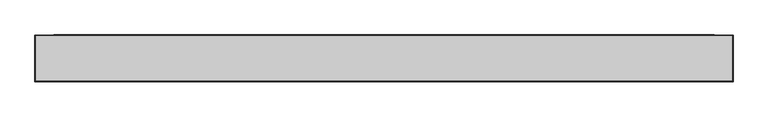
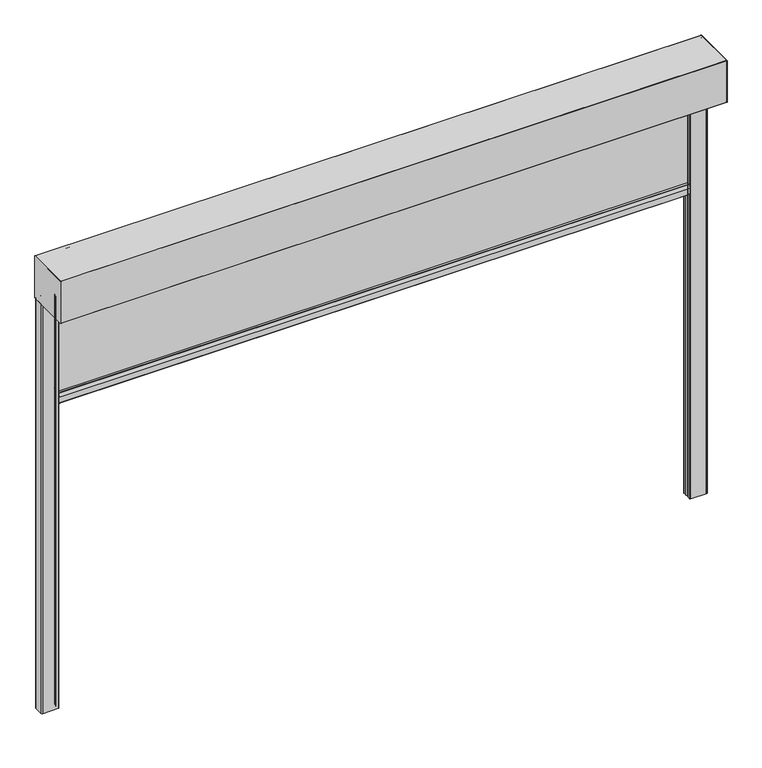
"""IFC4 building model written with IfcOpenShell, lengths in millimetres: alarm geometry."""

from ifc_helpers import new_model, si_unit, point, frame, frame_2d, origin, place, context, project, spatial, polyline, circle_curve, trimmed, segment, composite_curve, outline, extrude, source, transform, mapped, element, save
from ifc_brep_helpers import plane_surface, cylinder_surface, revolved_surface, advanced_brep


def alarm_83f84494(model_context):
    return source(origin(), model_context, "Body", "SolidModel", [
        extrude(outline(composite_curve([segment(polyline([(32.3130377, -455.0), (67.6869623, -455.0)]), True, "CONTINUOUS"), segment(trimmed(circle_curve(frame_2d((67.6869623, -457.0)), 2.0), [point((67.6869623, -455.0))], [point((69.5220736, -456.2047851))], False, "CARTESIAN"), True, "CONTINUOUS"), segment(polyline([(69.5220736, -456.2047851), (75.5, -470.0), (75.5, -498.0)]), True, "CONTINUOUS"), segment(trimmed(circle_curve(frame_2d((73.5, -498.0)), 2.0), [point((75.5, -498.0))], [point((73.5, -500.0))], False, "CARTESIAN"), True, "CONTINUOUS"), segment(polyline([(73.5, -500.0), (26.5, -500.0)]), True, "CONTINUOUS"), segment(trimmed(circle_curve(frame_2d((26.5, -498.0)), 2.0), [point((26.5, -500.0))], [point((24.5, -498.0))], False, "CARTESIAN"), True, "CONTINUOUS"), segment(polyline([(24.5, -498.0), (24.5, -470.0), (30.4779264, -456.2047851)]), True, "CONTINUOUS"), segment(trimmed(circle_curve(frame_2d((32.3130377, -457.0)), 2.0), [point((30.4779264, -456.2047851))], [point((32.3130377, -455.0))], False, "CARTESIAN"), True, "CONTINUOUS")], self_intersect=False)), frame((-1420.0, 0.0, 0.0), z_axis=(1.0, 0.0, 0.0), x_axis=(0.0, 1.0, 0.0)), (0.0, 0.0, 1.0), 2840.0),
        extrude(outline(polyline([(1420.0, 42.5), (-1420.0, 42.5), (-1420.0, 57.5), (1420.0, 57.5), (1420.0, 42.5)])), frame((0.0, 0.0, -455.0), z_axis=(0.0, 0.0, 1.0), x_axis=(1.0, 0.0, 0.0)), (0.0, 0.0, 1.0), 465.0),
        extrude(outline(composite_curve([segment(polyline([(-125.0, 1.0), (-125.0, 199.0)]), True, "CONTINUOUS"), segment(trimmed(circle_curve(frame_2d((-124.0, 199.0)), 1.0), [point((-125.0, 199.0))], [point((-124.0, 200.0))], False, "CARTESIAN"), True, "CONTINUOUS"), segment(polyline([(-124.0, 200.0), (74.0, 200.0)]), True, "CONTINUOUS"), segment(trimmed(circle_curve(frame_2d((74.0, 199.0)), 1.0), [point((74.0, 200.0))], [point((75.0, 199.0))], False, "CARTESIAN"), True, "CONTINUOUS"), segment(polyline([(75.0, 199.0), (75.0, 1.5)]), True, "CONTINUOUS"), segment(trimmed(circle_curve(frame_2d((73.5, 1.5)), 1.5), [point((75.0, 1.5))], [point((73.5, 0.0))], False, "CARTESIAN"), True, "CONTINUOUS"), segment(polyline([(73.5, 0.0), (-124.0, 0.0)]), True, "CONTINUOUS"), segment(trimmed(circle_curve(frame_2d((-124.0, 1.0)), 1.0), [point((-124.0, 0.0))], [point((-125.0, 1.0))], False, "CARTESIAN"), True, "CONTINUOUS")], self_intersect=False)), frame((1500.0, 0.0, 0.0), z_axis=(1.0, 0.0, 0.0), x_axis=(0.0, 1.0, 0.0)), (0.0, 0.0, 1.0), 1.0),
        extrude(outline(composite_curve([segment(polyline([(-125.0, 1.0), (-125.0, 199.0)]), True, "CONTINUOUS"), segment(trimmed(circle_curve(frame_2d((-124.0, 199.0)), 1.0), [point((-125.0, 199.0))], [point((-124.0, 200.0))], False, "CARTESIAN"), True, "CONTINUOUS"), segment(polyline([(-124.0, 200.0), (74.0, 200.0)]), True, "CONTINUOUS"), segment(trimmed(circle_curve(frame_2d((74.0, 199.0)), 1.0), [point((74.0, 200.0))], [point((75.0, 199.0))], False, "CARTESIAN"), True, "CONTINUOUS"), segment(polyline([(75.0, 199.0), (75.0, 1.5)]), True, "CONTINUOUS"), segment(trimmed(circle_curve(frame_2d((73.5, 1.5)), 1.5), [point((75.0, 1.5))], [point((73.5, 0.0))], False, "CARTESIAN"), True, "CONTINUOUS"), segment(polyline([(73.5, 0.0), (-124.0, 0.0)]), True, "CONTINUOUS"), segment(trimmed(circle_curve(frame_2d((-124.0, 1.0)), 1.0), [point((-124.0, 0.0))], [point((-125.0, 1.0))], False, "CARTESIAN"), True, "CONTINUOUS")], self_intersect=False)), frame((-1501.0, 0.0, 0.0), z_axis=(1.0, 0.0, 0.0), x_axis=(0.0, 1.0, 0.0)), (0.0, 0.0, 1.0), 1.0),
        extrude(outline(composite_curve([segment(polyline([(1420.0, 30.0), (1420.0, 41.5)]), True, "CONTINUOUS"), segment(trimmed(circle_curve(frame_2d((1424.0, 41.5)), 4.0), [point((1420.0, 41.5))], [point((1427.7587705, 42.8680806))], False, "CARTESIAN"), True, "CONTINUOUS"), segment(polyline([(1427.7587705, 42.8680806), (1429.313694, 34.049671), (1427.3440785, 33.7023747), (1425.8248093, 42.3185788)]), True, "CONTINUOUS"), segment(trimmed(circle_curve(frame_2d((1424.0, 41.5)), 2.0), [point((1425.8248093, 42.3185788))], [point((1422.0, 41.5))], True, "CARTESIAN"), True, "CONTINUOUS"), segment(polyline([(1422.0, 41.5), (1422.0, 30.0)]), True, "CONTINUOUS"), segment(trimmed(circle_curve(frame_2d((1425.0, 30.0)), 3.0), [point((1422.0, 30.0))], [point((1425.0, 27.0))], True, "CARTESIAN"), True, "CONTINUOUS"), segment(polyline([(1425.0, 27.0), (1495.0, 27.0)]), True, "CONTINUOUS"), segment(trimmed(circle_curve(frame_2d((1495.0, 30.0)), 3.0), [point((1495.0, 27.0))], [point((1498.0, 30.0))], True, "CARTESIAN"), True, "CONTINUOUS"), segment(polyline([(1498.0, 30.0), (1498.0, 70.0)]), True, "CONTINUOUS"), segment(trimmed(circle_curve(frame_2d((1495.0, 70.0)), 3.0), [point((1498.0, 70.0))], [point((1495.0, 73.0))], True, "CARTESIAN"), True, "CONTINUOUS"), segment(polyline([(1495.0, 73.0), (1425.0, 73.0)]), True, "CONTINUOUS"), segment(trimmed(circle_curve(frame_2d((1425.0, 70.0)), 3.0), [point((1425.0, 73.0))], [point((1422.0, 70.0))], True, "CARTESIAN"), True, "CONTINUOUS"), segment(polyline([(1422.0, 70.0), (1422.0, 58.5)]), True, "CONTINUOUS"), segment(trimmed(circle_curve(frame_2d((1424.0, 58.5)), 2.0), [point((1422.0, 58.5))], [point((1425.8248093, 57.6814212))], True, "CARTESIAN"), True, "CONTINUOUS"), segment(polyline([(1425.8248093, 57.6814212), (1427.3440785, 66.2976253), (1429.313694, 65.950329), (1427.7587705, 57.1319194)]), True, "CONTINUOUS"), segment(trimmed(circle_curve(frame_2d((1424.0, 58.5)), 4.0), [point((1427.7587705, 57.1319194))], [point((1420.0, 58.5))], False, "CARTESIAN"), True, "CONTINUOUS"), segment(polyline([(1420.0, 58.5), (1420.0, 70.0)]), True, "CONTINUOUS"), segment(trimmed(circle_curve(frame_2d((1425.0, 70.0)), 5.0), [point((1420.0, 70.0))], [point((1425.0, 75.0))], False, "CARTESIAN"), True, "CONTINUOUS"), segment(polyline([(1425.0, 75.0), (1495.0, 75.0)]), True, "CONTINUOUS"), segment(trimmed(circle_curve(frame_2d((1495.0, 70.0)), 5.0), [point((1495.0, 75.0))], [point((1500.0, 70.0))], False, "CARTESIAN"), True, "CONTINUOUS"), segment(polyline([(1500.0, 70.0), (1500.0, 30.0)]), True, "CONTINUOUS"), segment(trimmed(circle_curve(frame_2d((1495.0, 30.0)), 5.0), [point((1500.0, 30.0))], [point((1495.0, 25.0))], False, "CARTESIAN"), True, "CONTINUOUS"), segment(polyline([(1495.0, 25.0), (1425.0, 25.0)]), True, "CONTINUOUS"), segment(trimmed(circle_curve(frame_2d((1425.0, 30.0)), 5.0), [point((1425.0, 25.0))], [point((1420.0, 30.0))], False, "CARTESIAN"), True, "CONTINUOUS")], self_intersect=False)), frame((0.0, 0.0, -1950.0), z_axis=(0.0, 0.0, 1.0), x_axis=(1.0, 0.0, 0.0)), (0.0, 0.0, 1.0), 1950.0),
        extrude(outline(composite_curve([segment(trimmed(circle_curve(frame_2d((-1425.0, 30.0)), 5.0), [point((-1420.0, 30.0))], [point((-1425.0, 25.0))], False, "CARTESIAN"), True, "CONTINUOUS"), segment(polyline([(-1425.0, 25.0), (-1495.0, 25.0)]), True, "CONTINUOUS"), segment(trimmed(circle_curve(frame_2d((-1495.0, 30.0)), 5.0), [point((-1495.0, 25.0))], [point((-1500.0, 30.0))], False, "CARTESIAN"), True, "CONTINUOUS"), segment(polyline([(-1500.0, 30.0), (-1500.0, 70.0)]), True, "CONTINUOUS"), segment(trimmed(circle_curve(frame_2d((-1495.0, 70.0)), 5.0), [point((-1500.0, 70.0))], [point((-1495.0, 75.0))], False, "CARTESIAN"), True, "CONTINUOUS"), segment(polyline([(-1495.0, 75.0), (-1425.0, 75.0)]), True, "CONTINUOUS"), segment(trimmed(circle_curve(frame_2d((-1425.0, 70.0)), 5.0), [point((-1425.0, 75.0))], [point((-1420.0, 70.0))], False, "CARTESIAN"), True, "CONTINUOUS"), segment(polyline([(-1420.0, 70.0), (-1420.0, 58.5)]), True, "CONTINUOUS"), segment(trimmed(circle_curve(frame_2d((-1424.0, 58.5)), 4.0), [point((-1420.0, 58.5))], [point((-1427.7587705, 57.1319194))], False, "CARTESIAN"), True, "CONTINUOUS"), segment(polyline([(-1427.7587705, 57.1319194), (-1429.313694, 65.950329), (-1427.3440785, 66.2976253), (-1425.8248093, 57.6814212)]), True, "CONTINUOUS"), segment(trimmed(circle_curve(frame_2d((-1424.0, 58.5)), 2.0), [point((-1425.8248093, 57.6814212))], [point((-1422.0, 58.5))], True, "CARTESIAN"), True, "CONTINUOUS"), segment(polyline([(-1422.0, 58.5), (-1422.0, 70.0)]), True, "CONTINUOUS"), segment(trimmed(circle_curve(frame_2d((-1425.0, 70.0)), 3.0), [point((-1422.0, 70.0))], [point((-1425.0, 73.0))], True, "CARTESIAN"), True, "CONTINUOUS"), segment(polyline([(-1425.0, 73.0), (-1495.0, 73.0)]), True, "CONTINUOUS"), segment(trimmed(circle_curve(frame_2d((-1495.0, 70.0)), 3.0), [point((-1495.0, 73.0))], [point((-1498.0, 70.0))], True, "CARTESIAN"), True, "CONTINUOUS"), segment(polyline([(-1498.0, 70.0), (-1498.0, 30.0)]), True, "CONTINUOUS"), segment(trimmed(circle_curve(frame_2d((-1495.0, 30.0)), 3.0), [point((-1498.0, 30.0))], [point((-1495.0, 27.0))], True, "CARTESIAN"), True, "CONTINUOUS"), segment(polyline([(-1495.0, 27.0), (-1425.0, 27.0)]), True, "CONTINUOUS"), segment(trimmed(circle_curve(frame_2d((-1425.0, 30.0)), 3.0), [point((-1425.0, 27.0))], [point((-1422.0, 30.0))], True, "CARTESIAN"), True, "CONTINUOUS"), segment(polyline([(-1422.0, 30.0), (-1422.0, 41.5)]), True, "CONTINUOUS"), segment(trimmed(circle_curve(frame_2d((-1424.0, 41.5)), 2.0), [point((-1422.0, 41.5))], [point((-1425.8248093, 42.3185788))], True, "CARTESIAN"), True, "CONTINUOUS"), segment(polyline([(-1425.8248093, 42.3185788), (-1427.3440785, 33.7023747), (-1429.313694, 34.049671), (-1427.7587705, 42.8680806)]), True, "CONTINUOUS"), segment(trimmed(circle_curve(frame_2d((-1424.0, 41.5)), 4.0), [point((-1427.7587705, 42.8680806))], [point((-1420.0, 41.5))], False, "CARTESIAN"), True, "CONTINUOUS"), segment(polyline([(-1420.0, 41.5), (-1420.0, 30.0)]), True, "CONTINUOUS")], self_intersect=False)), frame((0.0, 0.0, -1950.0), z_axis=(0.0, 0.0, 1.0), x_axis=(1.0, 0.0, 0.0)), (0.0, 0.0, 1.0), 1950.0),
        advanced_brep(
        [(1500.0, 74.0, 200.0), (1500.0, -124.0, 200.0), (1500.0, -125.0, 199.0), (1500.0, -125.0, 1.0), (1500.0, -124.0, 0.0), (1500.0, 16.904949, 0.0), (1500.0, 19.2161509, 1.2344139), (1500.0, 43.6190015, 34.8222745), (1500.0, 42.0009577, 37.99784), (1500.0, 30.5009577, 37.9978045), (1500.0, 30.6317006, 35.0035128), (1500.0, 37.1126506, 35.5705426), (1500.0, 37.0254918, 36.5667371), (1500.0, 30.5445418, 35.9997072), (1500.0, 30.5009608, 36.9978045), (1500.0, 42.0049635, 36.99784), (1500.0, 42.8139885, 35.4100616), (1500.0, 20.7184124, 4.9975685), (1500.0, -118.4990953, 4.9975685), (1500.0, -118.4990953, 190.0001942), (1500.0, -114.4991113, 194.0001783), (1500.0, 64.4999422, 194.0001783), (1500.0, 68.5003406, 189.9997799), (1500.0, 68.5003406, 32.9978598), (1500.0, 71.0003714, 32.9978598), (1500.0, 71.0003714, 19.9978095), (1500.0, 74.0003573, 19.9978095), (1500.0, 74.0003573, 1.3255837), (1500.0, 73.0249422, 1.1710911), (1500.0, 63.1362847, 31.6048165), (1500.0, 62.1852498, 31.2958032), (1500.0, 72.0225757, 1.0199506), (1500.0, 75.0, 1.5), (1500.0, 75.0, 199.0), (-1500.0, 74.0, 200.0), (-1500.0, 75.0, 199.0), (-1500.0, 75.0, 1.5), (-1500.0, 72.0734167, 1.03647), (-1500.0, 62.1852498, 31.2958032), (-1500.0, 63.1362847, 31.6048165), (-1500.0, 73.0249422, 1.1710911), (-1500.0, 74.0003573, 1.3255837), (-1500.0, 74.0003573, 19.9978095), (-1500.0, 71.0003714, 19.9978095), (-1500.0, 71.0003714, 32.9978598), (-1500.0, 68.5003406, 32.9978598), (-1500.0, 68.5003406, 189.9997799), (-1500.0, 64.4999422, 194.0001783), (-1500.0, -114.4991113, 194.0001783), (-1500.0, -118.4990953, 190.0001942), (-1500.0, -118.4990953, 4.9975685), (-1500.0, 20.7184124, 4.9975685), (-1500.0, 42.8139885, 35.4100616), (-1500.0, 42.0049635, 36.99784), (-1500.0, 30.5009608, 36.9978045), (-1500.0, 30.5445418, 35.9997072), (-1500.0, 37.0254918, 36.5667371), (-1500.0, 37.1126506, 35.5705426), (-1500.0, 30.6317006, 35.0035128), (-1500.0, 30.5009577, 37.9978045), (-1500.0, 42.0009577, 37.99784), (-1500.0, 43.6190015, 34.8222745), (-1500.0, 19.2161509, 1.2344139), (-1500.0, 16.904949, 0.0), (-1500.0, -124.0, 0.0), (-1500.0, -125.0, 1.0), (-1500.0, -125.0, 199.0), (-1500.0, -124.0, 200.0)],
        [
            (0, 1),
            (1, 2, circle_curve(frame((1500.0, -124.0, 199.0), z_axis=(1.0, 0.0, 0.0), x_axis=(0.0, 1.0, 0.0)), 1.0)),
            (2, 3),
            (3, 4, circle_curve(frame((1500.0, -124.0, 1.0), z_axis=(1.0, 0.0, 0.0), x_axis=(0.0, 1.0, 0.0)), 1.0)),
            (4, 5),
            (5, 6, circle_curve(frame((1500.0, 16.7890944, 2.9977621), z_axis=(1.0, 0.0, 0.0), x_axis=(0.0, 1.0, 0.0)), 3.0)),
            (6, 7),
            (7, 8, circle_curve(frame((1500.0, 42.0009639, 35.99784), z_axis=(1.0, 0.0, 0.0), x_axis=(0.0, 1.0, 0.0)), 2.0)),
            (8, 9),
            (9, 10, circle_curve(frame((1500.0, 30.5009624, 36.4978045), z_axis=(1.0, 0.0, 0.0), x_axis=(0.0, 1.0, 0.0)), 1.5)),
            (10, 11),
            (11, 12),
            (12, 13),
            (13, 14, circle_curve(frame((1500.0, 30.5009624, 36.4978045), z_axis=(-1.0, 0.0, 0.0), x_axis=(0.0, 1.0, 0.0)), 0.5)),
            (14, 15),
            (15, 16, circle_curve(frame((1500.0, 42.0049665, 35.99784), z_axis=(-1.0, 0.0, 0.0), x_axis=(0.0, 1.0, 0.0)), 1.0)),
            (16, 17),
            (17, 18),
            (18, 19),
            (19, 20, circle_curve(frame((1500.0, -114.4991113, 190.0001942), z_axis=(-1.0, 0.0, 0.0), x_axis=(0.0, 1.0, 0.0)), 3.9999841)),
            (20, 21),
            (21, 22, circle_curve(frame((1500.0, 64.4999422, 189.9997799), z_axis=(-1.0, 0.0, 0.0), x_axis=(0.0, 1.0, 0.0)), 4.0003984)),
            (22, 23),
            (23, 24),
            (24, 25),
            (25, 26),
            (26, 27),
            (27, 28, circle_curve(frame((1500.0, 73.500415, 1.3255837), z_axis=(-1.0, 0.0, 0.0), x_axis=(0.0, 1.0, 0.0)), 0.4999423)),
            (28, 29),
            (29, 30),
            (30, 31),
            (31, 32, circle_curve(frame((1500.0, 73.5, 1.5), z_axis=(1.0, 0.0, 0.0), x_axis=(0.0, 1.0, 0.0)), 1.5)),
            (32, 33),
            (33, 0, circle_curve(frame((1500.0, 74.0, 199.0), z_axis=(1.0, 0.0, 0.0), x_axis=(0.0, 1.0, 0.0)), 1.0)),
            (34, 35, circle_curve(frame((-1500.0, 74.0, 199.0), z_axis=(-1.0, 0.0, 0.0), x_axis=(0.0, 1.0, 0.0)), 1.0)),
            (35, 36),
            (36, 37, circle_curve(frame((-1500.0, 73.5, 1.5), z_axis=(-1.0, 0.0, 0.0), x_axis=(0.0, 1.0, 0.0)), 1.5)),
            (37, 38),
            (38, 39),
            (39, 40),
            (40, 41, circle_curve(frame((-1500.0, 73.500415, 1.3255837), z_axis=(1.0, 0.0, 0.0), x_axis=(0.0, 1.0, 0.0)), 0.4999423)),
            (41, 42),
            (42, 43),
            (43, 44),
            (44, 45),
            (45, 46),
            (46, 47, circle_curve(frame((-1500.0, 64.4999422, 189.9997799), z_axis=(1.0, 0.0, 0.0), x_axis=(0.0, 1.0, 0.0)), 4.0003984)),
            (47, 48),
            (48, 49, circle_curve(frame((-1500.0, -114.4991113, 190.0001942), z_axis=(1.0, 0.0, 0.0), x_axis=(0.0, 1.0, 0.0)), 3.9999841)),
            (49, 50),
            (50, 51),
            (51, 52),
            (52, 53, circle_curve(frame((-1500.0, 42.0049665, 35.99784), z_axis=(1.0, 0.0, 0.0), x_axis=(0.0, 1.0, 0.0)), 1.0)),
            (53, 54),
            (54, 55, circle_curve(frame((-1500.0, 30.5009624, 36.4978045), z_axis=(1.0, 0.0, 0.0), x_axis=(0.0, 1.0, 0.0)), 0.5)),
            (55, 56),
            (56, 57),
            (57, 58),
            (58, 59, circle_curve(frame((-1500.0, 30.5009624, 36.4978045), z_axis=(-1.0, 0.0, 0.0), x_axis=(0.0, 1.0, 0.0)), 1.5)),
            (59, 60),
            (60, 61, circle_curve(frame((-1500.0, 42.0009639, 35.99784), z_axis=(-1.0, 0.0, 0.0), x_axis=(0.0, 1.0, 0.0)), 2.0)),
            (61, 62),
            (62, 63, circle_curve(frame((-1500.0, 16.7890944, 2.9977621), z_axis=(-1.0, 0.0, 0.0), x_axis=(0.0, 1.0, 0.0)), 3.0)),
            (63, 64),
            (64, 65, circle_curve(frame((-1500.0, -124.0, 1.0), z_axis=(-1.0, 0.0, 0.0), x_axis=(0.0, 1.0, 0.0)), 1.0)),
            (65, 66),
            (66, 67, circle_curve(frame((-1500.0, -124.0, 199.0), z_axis=(-1.0, 0.0, 0.0), x_axis=(0.0, 1.0, 0.0)), 1.0)),
            (67, 34),
            (0, 34),
            (67, 1),
            (66, 2),
            (65, 3),
            (64, 4),
            (63, 5),
            (62, 6),
            (61, 7),
            (60, 8),
            (59, 9),
            (58, 10),
            (57, 11),
            (56, 12),
            (55, 13),
            (54, 14),
            (53, 15),
            (52, 16),
            (51, 17),
            (50, 18),
            (49, 19),
            (48, 20),
            (47, 21),
            (46, 22),
            (45, 23),
            (44, 24),
            (43, 25),
            (42, 26),
            (41, 27),
            (40, 28),
            (39, 29),
            (38, 30),
            (37, 31),
            (36, 32),
            (35, 33),
        ],
        [
            plane_surface(frame((1500.0, -124.0, 200.0), z_axis=(1.0, 0.0, 0.0), x_axis=(0.0, -1.0, 0.0))),
            plane_surface(frame((-1500.0, -124.0, 200.0), z_axis=(-1.0, 0.0, 0.0), x_axis=(0.0, 1.0, 0.0))),
            plane_surface(frame((1500.0, 74.0, 200.0), z_axis=(0.0, 0.0, 1.0), x_axis=(-1.0, 0.0, 0.0))),
            cylinder_surface(frame((-1500.0, -124.0, 199.0), z_axis=(1.0, 0.0, 0.0), x_axis=(0.0, 1.0, 0.0)), 1.0),
            plane_surface(frame((1500.0, -125.0, 199.0), z_axis=(0.0, -1.0, 0.0), x_axis=(-1.0, 0.0, 0.0))),
            cylinder_surface(frame((-1500.0, -124.0, 1.0), z_axis=(1.0, 0.0, 0.0), x_axis=(0.0, 1.0, 0.0)), 1.0),
            plane_surface(frame((1500.0, -124.0, 0.0), z_axis=(0.0, 0.0, -1.0), x_axis=(-1.0, 0.0, 0.0))),
            cylinder_surface(frame((-1500.0, 16.7890944, 2.9977621), z_axis=(1.0, 0.0, 0.0), x_axis=(0.0, 1.0, 0.0)), 3.0),
            plane_surface(frame((1500.0, 19.2161509, 1.2344139), z_axis=(0.0, 0.8090188094303566, -0.5877827540749119), x_axis=(-1.0, 0.0, 0.0))),
            cylinder_surface(frame((-1500.0, 42.0009639, 35.99784), z_axis=(1.0, 0.0, 0.0), x_axis=(0.0, 1.0, 0.0)), 2.0),
            plane_surface(frame((1500.0, 42.0009577, 37.99784), z_axis=(0.0, -3.088237830317778e-06, 0.9999999999952314), x_axis=(-1.0, 0.0, 0.0))),
            cylinder_surface(frame((-1500.0, 30.5009624, 36.4978045), z_axis=(1.0, 0.0, 0.0), x_axis=(0.0, 1.0, 0.0)), 1.5),
            plane_surface(frame((1500.0, 30.6317006, 35.0035128), z_axis=(0.0, 0.08715881901511315, -0.9961944289484311), x_axis=(-1.0, 0.0, 0.0))),
            plane_surface(frame((1500.0, 37.1126506, 35.5705426), z_axis=(0.0, 0.9961944289489405, 0.08715881900929093), x_axis=(-1.0, 0.0, 0.0))),
            plane_surface(frame((1500.0, 37.0254918, 36.5667371), z_axis=(0.0, -0.08715881902170787, 0.9961944289478541), x_axis=(-1.0, 0.0, 0.0))),
            revolved_surface(polyline([(-1500.0, 31.0009624, 36.4978045), (1500.0, 31.0009624, 36.4978045)]), (-1500.0, 30.5009624, 36.4978045), (-1.0, 0.0, 0.0)),
            plane_surface(frame((1500.0, 30.5009608, 36.9978045), z_axis=(0.0, 3.087235492413244e-06, -0.9999999999952345), x_axis=(-1.0, 0.0, 0.0))),
            revolved_surface(polyline([(-1500.0, 43.0049665, 35.99784), (1500.0, 43.0049665, 35.99784)]), (-1500.0, 42.0049665, 35.99784), (-1.0, 0.0, 0.0)),
            plane_surface(frame((1500.0, 42.8139885, 35.4100616), z_axis=(0.0, -0.8090219718393253, 0.5877784013394928), x_axis=(-1.0, 0.0, 0.0))),
            plane_surface(frame((1500.0, 20.7184124, 4.9975685), z_axis=(0.0, 0.0, 1.0), x_axis=(-1.0, 0.0, 0.0))),
            plane_surface(frame((1500.0, -118.4990953, 4.9975685), z_axis=(0.0, 1.0, 0.0), x_axis=(-1.0, 0.0, 0.0))),
            revolved_surface(polyline([(-1500.0, -110.49912719999999, 190.0001942), (1500.0, -110.49912719999999, 190.0001942)]), (-1500.0, -114.4991113, 190.0001942), (-1.0, 0.0, 0.0)),
            plane_surface(frame((1500.0, -114.4991113, 194.0001783), z_axis=(0.0, 0.0, -1.0), x_axis=(-1.0, 0.0, 0.0))),
            revolved_surface(polyline([(-1500.0, 68.5003406, 189.9997799), (1500.0, 68.5003406, 189.9997799)]), (-1500.0, 64.4999422, 189.9997799), (-1.0, 0.0, 0.0)),
            plane_surface(frame((1500.0, 68.5003406, 189.9997799), z_axis=(0.0, -1.0, 0.0), x_axis=(-1.0, 0.0, 0.0))),
            plane_surface(frame((1500.0, 68.5003406, 32.9978598), z_axis=(0.0, 0.0, -1.0), x_axis=(-1.0, 0.0, 0.0))),
            plane_surface(frame((1500.0, 71.0003714, 32.9978598), z_axis=(0.0, -1.0, 0.0), x_axis=(-1.0, 0.0, 0.0))),
            plane_surface(frame((1500.0, 71.0003714, 19.9978095), z_axis=(0.0, 0.0, -1.0), x_axis=(-1.0, 0.0, 0.0))),
            plane_surface(frame((1500.0, 74.0003573, 19.9978095), z_axis=(0.0, -1.0, -1.2844647031399892e-12), x_axis=(-1.0, 0.0, 0.0))),
            revolved_surface(polyline([(-1500.0, 74.0003573, 1.3255837), (1500.0, 74.0003573, 1.3255837)]), (-1500.0, 73.500415, 1.3255837), (-1.0, 0.0, 0.0)),
            plane_surface(frame((1500.0, 73.0249422, 1.1710911), z_axis=(0.0, 0.9510552244543146, 0.3090209702239532), x_axis=(-1.0, 0.0, 0.0))),
            plane_surface(frame((1500.0, 63.1362847, 31.6048165), z_axis=(0.0, -0.3090199811024944, 0.9510555458433614), x_axis=(-1.0, 0.0, 0.0))),
            plane_surface(frame((1500.0, 62.1852498, 31.2958032), z_axis=(0.0, -0.9510555458434065, -0.3090199811023557), x_axis=(-1.0, 0.0, 0.0))),
            cylinder_surface(frame((-1500.0, 73.5, 1.5), z_axis=(1.0, 0.0, 0.0), x_axis=(0.0, 1.0, 0.0)), 1.5),
            plane_surface(frame((1500.0, 75.0, 1.5), z_axis=(0.0, 1.0, 0.0), x_axis=(-1.0, 0.0, 0.0))),
            cylinder_surface(frame((-1500.0, 74.0, 199.0), z_axis=(1.0, 0.0, 0.0), x_axis=(0.0, 1.0, 0.0)), 1.0),
        ],
        [
            (0, [[1, 2, 3, 4, 5, 6, 7, 8, 9, 10, 11, 12, 13, 14, 15, 16, 17, 18, 19, 20, 21, 22, 23, 24, 25, 26, 27, 28, 29, 30, 31, 32, 33, 34]]),
            (1, [[35, 36, 37, 38, 39, 40, 41, 42, 43, 44, 45, 46, 47, 48, 49, 50, 51, 52, 53, 54, 55, 56, 57, 58, 59, 60, 61, 62, 63, 64, 65, 66, 67, 68]]),
            (2, [[-1, 69, -68, 70]]),
            (3, [[-2, -70, -67, 71]]),
            (4, [[-3, -71, -66, 72]]),
            (5, [[-4, -72, -65, 73]]),
            (6, [[-5, -73, -64, 74]]),
            (7, [[-6, -74, -63, 75]]),
            (8, [[-7, -75, -62, 76]]),
            (9, [[-8, -76, -61, 77]]),
            (10, [[-9, -77, -60, 78]]),
            (11, [[-10, -78, -59, 79]]),
            (12, [[-11, -79, -58, 80]]),
            (13, [[-12, -80, -57, 81]]),
            (14, [[-13, -81, -56, 82]]),
            (15, [[-14, -82, -55, 83]]),
            (16, [[-15, -83, -54, 84]]),
            (17, [[-16, -84, -53, 85]]),
            (18, [[-17, -85, -52, 86]]),
            (19, [[-18, -86, -51, 87]]),
            (20, [[-19, -87, -50, 88]]),
            (21, [[-20, -88, -49, 89]]),
            (22, [[-21, -89, -48, 90]]),
            (23, [[-22, -90, -47, 91]]),
            (24, [[-23, -91, -46, 92]]),
            (25, [[-24, -92, -45, 93]]),
            (26, [[-25, -93, -44, 94]]),
            (27, [[-26, -94, -43, 95]]),
            (28, [[-27, -95, -42, 96]]),
            (29, [[-28, -96, -41, 97]]),
            (30, [[-29, -97, -40, 98]]),
            (31, [[-30, -98, -39, 99]]),
            (32, [[-31, -99, -38, 100]]),
            (33, [[-32, -100, -37, 101]]),
            (34, [[-33, -101, -36, 102]]),
            (35, [[-34, -102, -35, -69]]),
        ],
    ),
    ])


if __name__ == "__main__":
    model = new_model("IFC4")
    model_context = context("Model", 3, world=origin())
    ifc_project = project(units=[si_unit("LENGTHUNIT", "METRE", prefix="MILLI")], contexts=[model_context])
    site = spatial("IfcSite", under=ifc_project)
    building = spatial("IfcBuilding", under=site)
    placement = place(None, origin())
    alarm_shape = alarm_83f84494(model_context)
    element("IfcAlarm", 1, at=placement, inside=building, context=model_context, shape_type="MappedRepresentation", body=[
        mapped(alarm_shape, transform((0.0, 0.0, 0.0), x_axis=(1.0, 0.0, 0.0), y_axis=(0.0, 1.0, 0.0), z_axis=(0.0, 0.0, 1.0))),
    ])
    save(model, "model.ifc")
